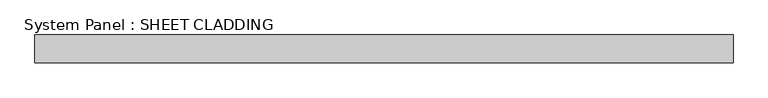
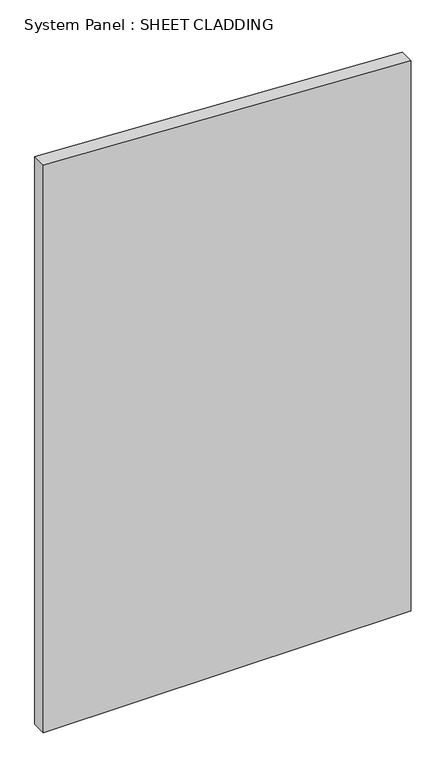
"""IFC4 building model written with IfcOpenShell, lengths in millimetres: plate geometry, System Panel : SHEET CLADDING."""

from ifc_helpers import new_model, si_unit, frame, origin, place, context, project, spatial, polyline, outline, extrude, source, transform, mapped, element, save


def system_panel_sheet_cladding_10f32d71(model_context):
    return source(origin(), model_context, "Body", "SweptSolid", [
        extrude(outline(polyline([(0.0, -750.0), (0.0, 750.0), (2372.5, 750.0), (2447.5, -750.0), (0.0, -750.0)])), frame((0.0, -10.5, 0.0), z_axis=(0.0, 1.0, 0.0), x_axis=(0.0, 0.0, 1.0)), (0.0, 0.0, 1.0), 60.0),
    ])


if __name__ == "__main__":
    model = new_model("IFC4")
    model_context = context("Model", 3, world=origin())
    ifc_project = project(units=[si_unit("LENGTHUNIT", "METRE", prefix="MILLI")], contexts=[model_context])
    site = spatial("IfcSite", under=ifc_project)
    building = spatial("IfcBuilding", under=site)
    placement = place(None, origin())
    system_panel_sheet_cladding_shape = system_panel_sheet_cladding_10f32d71(model_context)
    element("IfcPlate", 1, ObjectType="System Panel : SHEET CLADDING", at=placement, inside=building, context=model_context, shape_type="MappedRepresentation", body=[
        mapped(system_panel_sheet_cladding_shape, transform((0.0, 0.0, 0.0), x_axis=(1.0, 0.0, 0.0), y_axis=(0.0, 1.0, 0.0), z_axis=(0.0, 0.0, 1.0))),
    ])
    save(model, "model.ifc")
